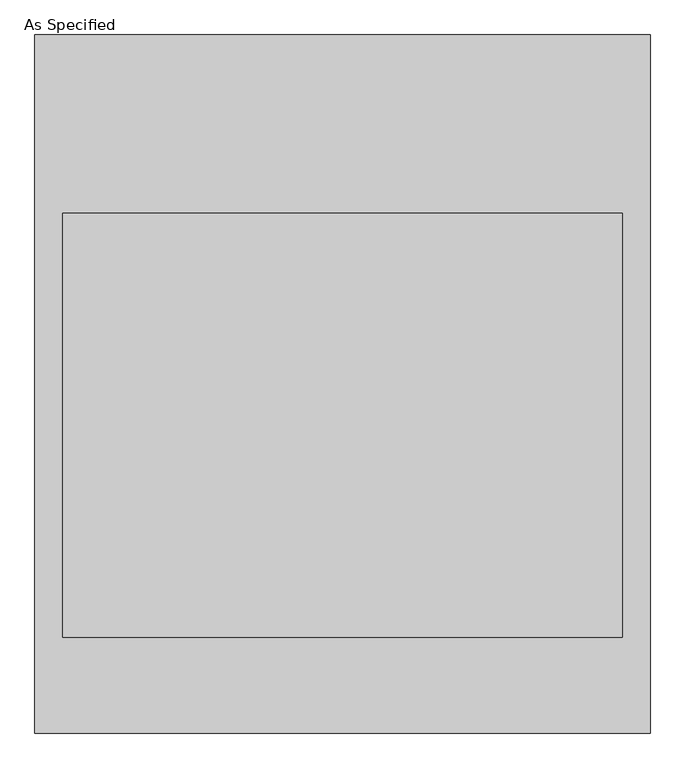
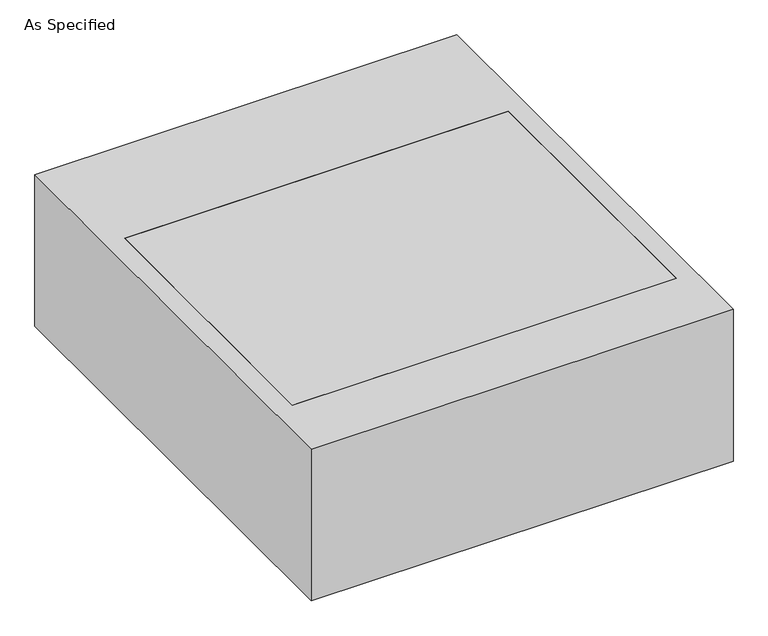
"""IFC4 building model written with IfcOpenShell, lengths in millimetres: proxy geometry, As Specified."""

from ifc_helpers import new_model, si_unit, frame, origin, place, context, project, spatial, polyline, outline, extrude, source, transform, mapped, element, save


def as_specified_731243c3(model_context):
    return source(origin(), model_context, "Body", "SweptSolid", [
        extrude(outline(polyline([(-663.575, -752.475), (-663.575, 752.475), (663.575, 752.475), (663.575, -752.475), (-663.575, -752.475)]), holes=[polyline([(603.25, 368.3), (-603.25, 368.3), (-603.25, -546.1), (603.25, -546.1), (603.25, 368.3)])]), frame((0.0, 0.0, -530.225), z_axis=(0.0, 0.0, 1.0), x_axis=(1.0, 0.0, 0.0)), (0.0, 0.0, 1.0), 504.825),
        extrude(outline(polyline([(603.25, 368.3), (603.25, -546.1), (-603.25, -546.1), (-603.25, 368.3), (603.25, 368.3)])), frame((0.0, 0.0, -530.225), z_axis=(0.0, 0.0, 1.0), x_axis=(1.0, 0.0, 0.0)), (0.0, 0.0, 1.0), 504.825),
    ])


if __name__ == "__main__":
    model = new_model("IFC4")
    model_context = context("Model", 3, world=origin())
    ifc_project = project(units=[si_unit("LENGTHUNIT", "METRE", prefix="MILLI")], contexts=[model_context])
    site = spatial("IfcSite", under=ifc_project)
    building = spatial("IfcBuilding", under=site)
    placement = place(None, origin())
    as_specified_shape = as_specified_731243c3(model_context)
    element("IfcBuildingElementProxy", 1, Name="As Specified", ObjectType="As Specified", at=placement, inside=building, context=model_context, shape_type="MappedRepresentation", body=[
        mapped(as_specified_shape, transform((0.0, 0.0, 0.0), x_axis=(1.0, 0.0, 0.0), y_axis=(0.0, 1.0, 0.0), z_axis=(0.0, 0.0, 1.0))),
    ])
    save(model, "model.ifc")
